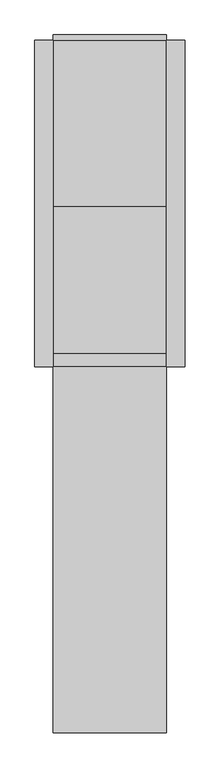
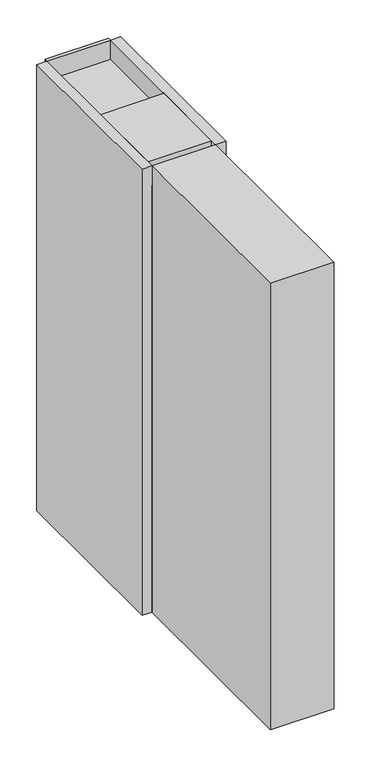
"""IFC4 building model written with IfcOpenShell, lengths in millimetres: proxy geometry."""

from ifc_helpers import new_model, si_unit, frame, origin, origin_with_axes, place, context, project, spatial, polyline, circle_curve, outline, extrude, source, transform, mapped, element, save
from ifc_brep_helpers import plane_surface, revolved_surface, advanced_brep


def electrical_equipment_cc322232(model_context):
    return source(origin(), model_context, "Body", "SolidModel", [
        extrude(outline(polyline([(155.0, 0.0), (155.0, -890.0), (-155.0, -890.0), (-155.0, 0.0), (155.0, 0.0)])), origin_with_axes(), (0.0, 0.0, 1.0), 2200.0),
        extrude(outline(polyline([(155.0, 0.0), (205.0, 0.0), (205.0, -890.0), (155.0, -890.0), (155.0, 0.0)])), origin_with_axes(), (0.0, 0.0, 1.0), 2300.0),
        extrude(outline(polyline([(-155.0, 0.0), (-155.0, -890.0), (-205.0, -890.0), (-205.0, 0.0), (-155.0, 0.0)])), origin_with_axes(), (0.0, 0.0, 1.0), 2300.0),
        extrude(outline(polyline([(155.0, 0.0), (-155.0, 0.0), (-155.0, 15.0), (155.0, 15.0), (155.0, 0.0)])), origin_with_axes(), (0.0, 0.0, 1.0), 2300.0),
        extrude(outline(polyline([(155.0, -890.0), (155.0, -1890.0), (-155.0, -1890.0), (-155.0, -890.0), (155.0, -890.0)])), origin_with_axes(), (0.0, 0.0, 1.0), 2300.0),
        extrude(outline(polyline([(155.0, -115.0), (155.0, -829.0), (-155.0, -829.0), (-155.0, -115.0), (155.0, -115.0)])), origin_with_axes(), (0.0, 0.0, 1.0), 300.0),
        extrude(outline(polyline([(155.0, 0.0), (155.0, -115.0), (-155.0, -115.0), (-155.0, 0.0), (155.0, 0.0)])), origin_with_axes(), (0.0, 0.0, 1.0), 1800.0),
        extrude(outline(polyline([(-115.0, 1700.0), (-360.0, 1700.0), (-360.0, 1800.0), (-140.0, 1800.0), (-115.0, 1800.0), (-115.0, 1700.0)])), frame((-155.0, 0.0, 0.0), z_axis=(1.0, 0.0, 0.0), x_axis=(0.0, 1.0, 0.0)), (0.0, 0.0, 1.0), 310.0),
        extrude(outline(polyline([(-854.0, 2300.0348011), (-454.0, 2300.0348011), (-454.0, 1780.0348011), (-534.0, 1700.0348011), (-854.0, 1700.0348011), (-854.0, 2300.0348011)])), frame((-155.0, 0.0, 0.0), z_axis=(1.0, 0.0, 0.0), x_axis=(0.0, 1.0, 0.0)), (0.0, 0.0, 1.0), 310.0),
        advanced_brep(
        [(155.0, -115.0, 1700.0348011), (155.0, -565.0, 1700.0348011), (155.0, -565.0, 1475.0348011), (155.0, -115.0, 1475.0348011), (155.0, -138.0, 1587.5348011), (155.0, -258.0, 1587.5348011), (155.0, -281.0, 1587.5348011), (155.0, -401.0, 1587.5348011), (155.0, -424.0, 1587.5348011), (155.0, -544.0, 1587.5348011), (-155.0, -115.0, 1700.0348011), (-155.0, -115.0, 1475.0348011), (-155.0, -565.0, 1475.0348011), (-155.0, -565.0, 1700.0348011), (-155.0, -258.0, 1587.5348011), (-155.0, -138.0, 1587.5348011), (-155.0, -401.0, 1587.5348011), (-155.0, -281.0, 1587.5348011), (-155.0, -544.0, 1587.5348011), (-155.0, -424.0, 1587.5348011), (124.0222122, -258.0, 1587.5348011), (124.0222122, -138.0, 1587.5348011), (124.0222122, -401.0, 1587.5348011), (124.0222122, -281.0, 1587.5348011), (124.0222122, -544.0, 1587.5348011), (124.0222122, -424.0, 1587.5348011), (-124.0222122, -258.0, 1587.5348011), (-124.0222122, -138.0, 1587.5348011), (-124.0222122, -401.0, 1587.5348011), (-124.0222122, -281.0, 1587.5348011), (-124.0222122, -544.0, 1587.5348011), (-124.0222122, -424.0, 1587.5348011)],
        [
            (0, 1),
            (1, 2),
            (2, 3),
            (3, 0),
            (4, 5, circle_curve(frame((155.0, -198.0, 1587.5348011), z_axis=(-1.0, 0.0, 0.0), x_axis=(0.0, 1.0, 0.0)), 60.0)),
            (5, 4, circle_curve(frame((155.0, -198.0, 1587.5348011), z_axis=(-1.0, 0.0, 0.0), x_axis=(0.0, 1.0, 0.0)), 60.0)),
            (6, 7, circle_curve(frame((155.0, -341.0, 1587.5348011), z_axis=(-1.0, 0.0, 0.0), x_axis=(0.0, 1.0, 0.0)), 60.0)),
            (7, 6, circle_curve(frame((155.0, -341.0, 1587.5348011), z_axis=(-1.0, 0.0, 0.0), x_axis=(0.0, 1.0, 0.0)), 60.0)),
            (8, 9, circle_curve(frame((155.0, -484.0, 1587.5348011), z_axis=(-1.0, 0.0, 0.0), x_axis=(0.0, 1.0, 0.0)), 60.0)),
            (9, 8, circle_curve(frame((155.0, -484.0, 1587.5348011), z_axis=(-1.0, 0.0, 0.0), x_axis=(0.0, 1.0, 0.0)), 60.0)),
            (10, 11),
            (11, 12),
            (12, 13),
            (13, 10),
            (14, 15, circle_curve(frame((-155.0, -198.0, 1587.5348011), z_axis=(1.0, 0.0, 0.0), x_axis=(0.0, 1.0, 0.0)), 60.0)),
            (15, 14, circle_curve(frame((-155.0, -198.0, 1587.5348011), z_axis=(1.0, 0.0, 0.0), x_axis=(0.0, 1.0, 0.0)), 60.0)),
            (16, 17, circle_curve(frame((-155.0, -341.0, 1587.5348011), z_axis=(1.0, 0.0, 0.0), x_axis=(0.0, 1.0, 0.0)), 60.0)),
            (17, 16, circle_curve(frame((-155.0, -341.0, 1587.5348011), z_axis=(1.0, 0.0, 0.0), x_axis=(0.0, 1.0, 0.0)), 60.0)),
            (18, 19, circle_curve(frame((-155.0, -484.0, 1587.5348011), z_axis=(1.0, 0.0, 0.0), x_axis=(0.0, 1.0, 0.0)), 60.0)),
            (19, 18, circle_curve(frame((-155.0, -484.0, 1587.5348011), z_axis=(1.0, 0.0, 0.0), x_axis=(0.0, 1.0, 0.0)), 60.0)),
            (0, 10),
            (13, 1),
            (12, 2),
            (11, 3),
            (20, 21, circle_curve(frame((124.0222122, -198.0, 1587.5348011), z_axis=(1.0, 0.0, 0.0), x_axis=(0.0, 1.0, 0.0)), 60.0)),
            (21, 20, circle_curve(frame((124.0222122, -198.0, 1587.5348011), z_axis=(1.0, 0.0, 0.0), x_axis=(0.0, 1.0, 0.0)), 60.0)),
            (22, 23, circle_curve(frame((124.0222122, -341.0, 1587.5348011), z_axis=(1.0, 0.0, 0.0), x_axis=(0.0, 1.0, 0.0)), 60.0)),
            (23, 22, circle_curve(frame((124.0222122, -341.0, 1587.5348011), z_axis=(1.0, 0.0, 0.0), x_axis=(0.0, 1.0, 0.0)), 60.0)),
            (24, 25, circle_curve(frame((124.0222122, -484.0, 1587.5348011), z_axis=(1.0, 0.0, 0.0), x_axis=(0.0, 1.0, 0.0)), 60.0)),
            (25, 24, circle_curve(frame((124.0222122, -484.0, 1587.5348011), z_axis=(1.0, 0.0, 0.0), x_axis=(0.0, 1.0, 0.0)), 60.0)),
            (20, 5),
            (4, 21),
            (22, 7),
            (6, 23),
            (24, 9),
            (8, 25),
            (26, 27, circle_curve(frame((-124.0222122, -198.0, 1587.5348011), z_axis=(-1.0, 0.0, 0.0), x_axis=(0.0, 1.0, 0.0)), 60.0)),
            (27, 26, circle_curve(frame((-124.0222122, -198.0, 1587.5348011), z_axis=(-1.0, 0.0, 0.0), x_axis=(0.0, 1.0, 0.0)), 60.0)),
            (28, 29, circle_curve(frame((-124.0222122, -341.0, 1587.5348011), z_axis=(-1.0, 0.0, 0.0), x_axis=(0.0, 1.0, 0.0)), 60.0)),
            (29, 28, circle_curve(frame((-124.0222122, -341.0, 1587.5348011), z_axis=(-1.0, 0.0, 0.0), x_axis=(0.0, 1.0, 0.0)), 60.0)),
            (30, 31, circle_curve(frame((-124.0222122, -484.0, 1587.5348011), z_axis=(-1.0, 0.0, 0.0), x_axis=(0.0, 1.0, 0.0)), 60.0)),
            (31, 30, circle_curve(frame((-124.0222122, -484.0, 1587.5348011), z_axis=(-1.0, 0.0, 0.0), x_axis=(0.0, 1.0, 0.0)), 60.0)),
            (27, 15),
            (14, 26),
            (29, 17),
            (16, 28),
            (31, 19),
            (18, 30),
        ],
        [
            plane_surface(frame((155.0, -115.0, 1700.0348011), z_axis=(1.0, 0.0, 0.0), x_axis=(0.0, -1.0, 0.0))),
            plane_surface(frame((-155.0, -115.0, 1700.0348011), z_axis=(-1.0, 0.0, 0.0), x_axis=(0.0, 1.0, 0.0))),
            plane_surface(frame((155.0, -115.0, 1700.0348011), z_axis=(0.0, 0.0, 1.0), x_axis=(-1.0, 0.0, 0.0))),
            plane_surface(frame((155.0, -565.0, 1700.0348011), z_axis=(0.0, -1.0, 0.0), x_axis=(-1.0, 0.0, 0.0))),
            plane_surface(frame((155.0, -565.0, 1475.0348011), z_axis=(0.0, 0.0, -1.0), x_axis=(-1.0, 0.0, 0.0))),
            plane_surface(frame((155.0, -115.0, 1475.0348011), z_axis=(0.0, 1.0, 0.0), x_axis=(-1.0, 0.0, 0.0))),
            plane_surface(frame((124.0222122, -138.0, 1587.5348011), z_axis=(1.0, 0.0, 0.0), x_axis=(0.0, 0.0, -1.0))),
            revolved_surface(polyline([(155.0, -138.0, 1587.5348011), (124.0222122, -138.0, 1587.5348011)]), (124.0222122, -198.0, 1587.5348011), (1.0, 0.0, 0.0)),
            revolved_surface(polyline([(155.0, -281.0, 1587.5348011), (124.0222122, -281.0, 1587.5348011)]), (0.0, -341.0, 1587.5348011), (1.0, 0.0, 0.0)),
            revolved_surface(polyline([(155.0, -424.0, 1587.5348011), (124.0222122, -424.0, 1587.5348011)]), (0.0, -484.0, 1587.5348011), (1.0, 0.0, 0.0)),
            plane_surface(frame((-124.0222122, -138.0, 1587.5348011), z_axis=(-1.0, 0.0, 0.0), x_axis=(0.0, 0.0, 1.0))),
            revolved_surface(polyline([(-155.0, -138.0, 1587.5348011), (-124.0222122, -138.0, 1587.5348011)]), (-124.0222122, -198.0, 1587.5348011), (-1.0, 0.0, 0.0)),
            revolved_surface(polyline([(-155.0, -281.0, 1587.5348011), (-124.0222122, -281.0, 1587.5348011)]), (0.0, -341.0, 1587.5348011), (-1.0, 0.0, 0.0)),
            revolved_surface(polyline([(-155.0, -424.0, 1587.5348011), (-124.0222122, -424.0, 1587.5348011)]), (0.0, -484.0, 1587.5348011), (-1.0, 0.0, 0.0)),
        ],
        [
            (0, [[1, 2, 3, 4], [5, 6], [7, 8], [9, 10]]),
            (1, [[11, 12, 13, 14], [15, 16], [17, 18], [19, 20]]),
            (2, [[-1, 21, -14, 22]]),
            (3, [[-2, -22, -13, 23]]),
            (4, [[-3, -23, -12, 24]]),
            (5, [[-4, -24, -11, -21]]),
            (6, [[25, 26]]),
            (6, [[27, 28]]),
            (6, [[29, 30]]),
            (7, [[-25, 31, -5, 32]]),
            (7, [[-26, -32, -6, -31]]),
            (8, [[-27, 33, -7, 34]]),
            (8, [[-28, -34, -8, -33]]),
            (9, [[-29, 35, -9, 36]]),
            (9, [[-30, -36, -10, -35]]),
            (10, [[37, 38]]),
            (10, [[39, 40]]),
            (10, [[41, 42]]),
            (11, [[-38, 43, -15, 44]]),
            (11, [[-37, -44, -16, -43]]),
            (12, [[-40, 45, -17, 46]]),
            (12, [[-39, -46, -18, -45]]),
            (13, [[-42, 47, -19, 48]]),
            (13, [[-41, -48, -20, -47]]),
        ],
    ),
        extrude(outline(polyline([(155.0, -565.0), (155.0, -854.0), (-155.0, -854.0), (-155.0, -565.0), (155.0, -565.0)])), frame((0.0, 0.0, 1250.0348011), z_axis=(0.0, 0.0, 1.0), x_axis=(1.0, 0.0, 0.0)), (0.0, 0.0, 1.0), 450.0),
        extrude(outline(polyline([(155.0, -829.0), (155.0, -890.0), (-155.0, -890.0), (-155.0, -829.0), (155.0, -829.0)])), frame((0.0, 0.0, 500.0348011), z_axis=(0.0, 0.0, 1.0), x_axis=(1.0, 0.0, 0.0)), (0.0, 0.0, 1.0), 750.0),
        extrude(outline(polyline([(155.0, -565.0), (155.0, -829.0), (-155.0, -829.0), (-155.0, -565.0), (155.0, -565.0)])), frame((0.0, 0.0, 300.0), z_axis=(0.0, 0.0, 1.0), x_axis=(1.0, 0.0, 0.0)), (0.0, 0.0, 1.0), 950.0348011),
        extrude(outline(polyline([(155.0, -115.0), (155.0, -565.0), (-155.0, -565.0), (-155.0, -115.0), (155.0, -115.0)])), frame((0.0, 0.0, 1075.0348011), z_axis=(0.0, 0.0, 1.0), x_axis=(1.0, 0.0, 0.0)), (0.0, 0.0, 1.0), 400.0),
        extrude(outline(polyline([(155.0, -115.0), (155.0, -565.0), (-155.0, -565.0), (-155.0, -115.0), (155.0, -115.0)])), frame((0.0, 0.0, 300.0), z_axis=(0.0, 0.0, 1.0), x_axis=(1.0, 0.0, 0.0)), (0.0, 0.0, 1.0), 775.0),
    ])


if __name__ == "__main__":
    model = new_model("IFC4")
    model_context = context("Model", 3, world=origin())
    ifc_project = project(units=[si_unit("LENGTHUNIT", "METRE", prefix="MILLI")], contexts=[model_context])
    site = spatial("IfcSite", under=ifc_project)
    building = spatial("IfcBuilding", under=site)
    placement = place(None, origin())
    electrical_equipment_shape = electrical_equipment_cc322232(model_context)
    element("IfcBuildingElementProxy", 1, Name="Electrical Equipment", at=placement, inside=building, context=model_context, shape_type="MappedRepresentation", body=[
        mapped(electrical_equipment_shape, transform((0.0, 0.0, 0.0), x_axis=(1.0, 0.0, 0.0), y_axis=(0.0, 1.0, 0.0), z_axis=(0.0, 0.0, 1.0))),
    ])
    save(model, "model.ifc")
